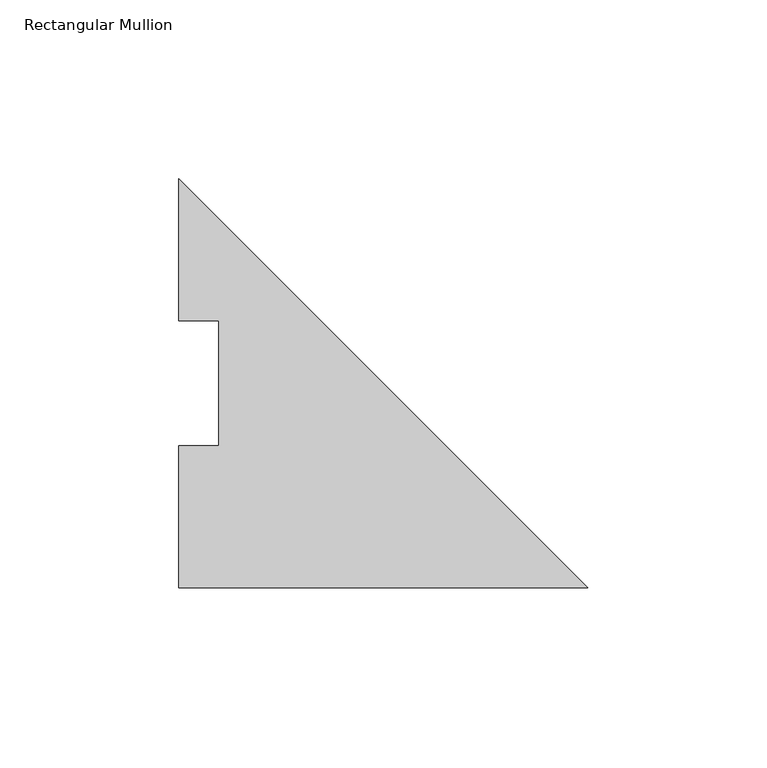
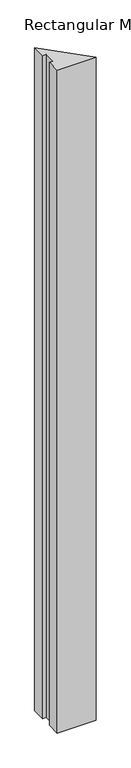
"""IFC4 building model written with IfcOpenShell, lengths in millimetres: member geometry, Rectangular Mullion."""

from ifc_helpers import new_model, si_unit, frame, origin, place, context, project, spatial, polyline, outline, extrude, source, transform, mapped, element, save


def rectangular_mullion_884ec595(model_context):
    return source(origin(), model_context, "Body", "SweptSolid", [
        extrude(outline(polyline([(-114.3, 74.596625), (-114.3, 114.271425), (0.0, -0.028575), (-114.3, -0.028575), (-114.3, 39.646225), (-103.1875, 39.646225), (-103.1875, 74.596625), (-114.3, 74.596625)])), frame((0.0, 0.0, -2060.575), z_axis=(0.0, 0.0, 1.0), x_axis=(1.0, 0.0, 0.0)), (0.0, 0.0, 1.0), 2060.575),
    ])


if __name__ == "__main__":
    model = new_model("IFC4")
    model_context = context("Model", 3, world=origin())
    ifc_project = project(units=[si_unit("LENGTHUNIT", "METRE", prefix="MILLI")], contexts=[model_context])
    site = spatial("IfcSite", under=ifc_project)
    building = spatial("IfcBuilding", under=site)
    placement = place(None, origin())
    rectangular_mullion_shape = rectangular_mullion_884ec595(model_context)
    element("IfcMember", 1, ObjectType="Rectangular Mullion", at=placement, inside=building, context=model_context, shape_type="MappedRepresentation", body=[
        mapped(rectangular_mullion_shape, transform((0.0, 0.0, 0.0), x_axis=(1.0, 0.0, 0.0), y_axis=(0.0, 1.0, 0.0), z_axis=(0.0, 0.0, 1.0))),
    ])
    save(model, "model.ifc")
